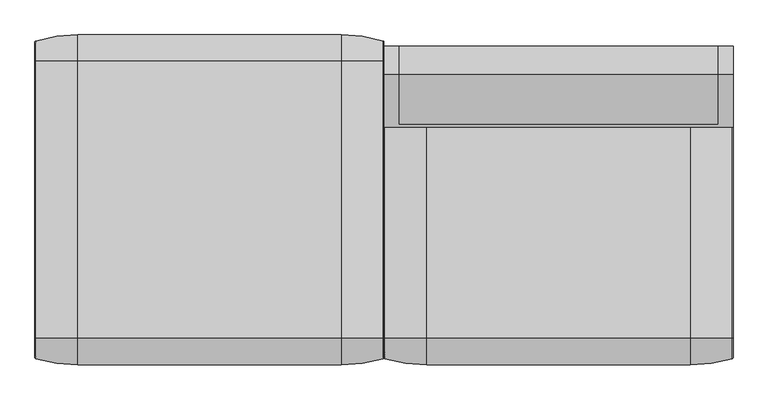
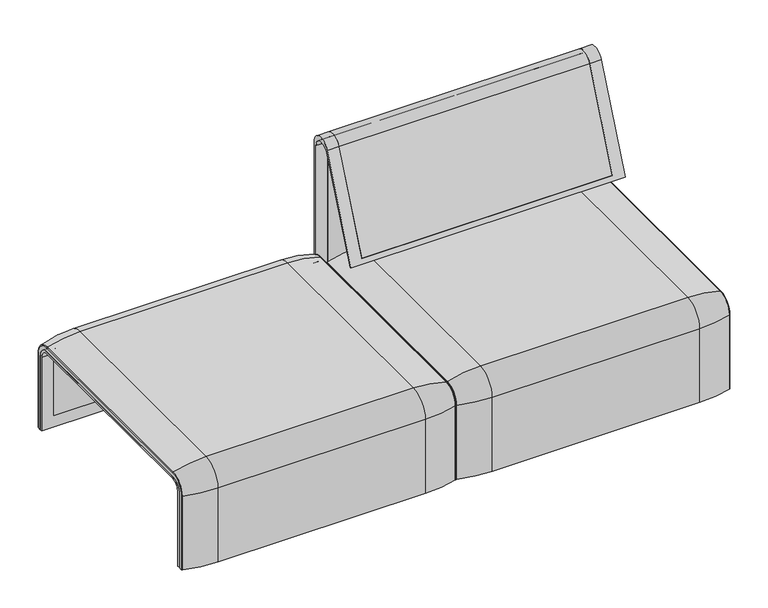
"""IFC4 building model written with IfcOpenShell, lengths in millimetres: furniture geometry."""

from ifc_helpers import new_model, si_unit, point, frame, frame_2d, origin, place, context, project, spatial, polyline, circle_curve, ellipse_curve, trimmed, segment, composite_curve, outline, extrude, source, transform, mapped, element, save
from ifc_brep_helpers import plane_surface, cylinder_surface, revolved_surface, advanced_brep


def furniture_0046e483(model_context):
    return source(origin(), model_context, "Body", "SolidModel", [
        advanced_brep(
        [(-815.997793, 323.7517936, 359.922434), (-815.997793, -323.7517936, 359.922434), (-815.997793, -351.0, 332.6742277), (-815.997793, -351.0, 100.5089435), (-815.997793, -357.5, 100.5089435), (-815.997793, -357.5, 333.0583003), (-815.997793, -324.3858663, 366.172434), (-815.997793, 324.3858663, 366.172434), (-815.997793, 357.5, 333.0583003), (-815.997793, 357.5, 100.5089435), (-815.997793, 351.0, 100.5089435), (-815.997793, 351.0, 332.6742277), (-0.0165441, 323.7517936, 359.922434), (-0.0165441, 351.0, 332.6742277), (-0.0165441, 351.0, 100.5089435), (-0.0165441, 357.5, 100.5089435), (-0.0165441, 357.5, 333.0583003), (-0.0165441, 324.3858663, 366.172434), (-0.0165441, -324.3858663, 366.172434), (-0.0165441, -357.5, 333.0583003), (-0.0165441, -357.5, 100.5089435), (-0.0165441, -351.0, 100.5089435), (-0.0165441, -351.0, 332.6742277), (-0.0165441, -323.7517936, 359.922434), (-781.097793, -324.3858663, 366.172434), (-781.097793, 324.3858663, 366.172434), (-34.9165441, 324.3858663, 366.172434), (-34.9165441, -324.3858663, 366.172434), (-781.097793, -357.5, 333.0583003), (-34.9165441, -357.5, 333.0583003), (-34.9165441, -357.5, 135.3766997), (-781.097793, -357.5, 135.3766997), (-781.097793, -351.0, 332.6742277), (-781.097793, -351.0, 135.3766997), (-34.9165441, -351.0, 135.3766997), (-34.9165441, -351.0, 332.6742277), (-781.097793, -323.7517936, 359.922434), (-34.9165441, -323.7517936, 359.922434), (-781.097793, 323.7517936, 359.922434), (-34.9165441, 323.7517936, 359.922434), (-781.097793, 357.5, 333.0583003), (-34.9165441, 357.5, 333.0583003), (-781.097793, 357.5, 135.3766997), (-34.9165441, 357.5, 135.3766997), (-34.9165441, 351.0, 332.6742277), (-34.9165441, 351.0, 135.3766997), (-781.097793, 351.0, 135.3766997), (-781.097793, 351.0, 332.6742277)],
        [
            (0, 1),
            (1, 2, circle_curve(frame((-815.997793, -323.7517936, 332.6742277), z_axis=(1.0, 0.0, 0.0), x_axis=(0.0, -1.0, 0.0)), 27.2482064)),
            (2, 3),
            (3, 4),
            (4, 5),
            (5, 6, circle_curve(frame((-815.997793, -324.3858663, 333.0583003), z_axis=(-1.0, 0.0, 0.0), x_axis=(0.0, -1.0, 0.0)), 33.1141337)),
            (6, 7),
            (7, 8, circle_curve(frame((-815.997793, 324.3858663, 333.0583003), z_axis=(-1.0, 0.0, 0.0), x_axis=(0.0, 1.0, 0.0)), 33.1141337)),
            (8, 9),
            (9, 10),
            (10, 11),
            (11, 0, circle_curve(frame((-815.997793, 323.7517936, 332.6742277), z_axis=(1.0, 0.0, 0.0), x_axis=(0.0, 1.0, 0.0)), 27.2482064)),
            (12, 13, circle_curve(frame((-0.0165441, 323.7517936, 332.6742277), z_axis=(-1.0, 0.0, 0.0), x_axis=(0.0, 1.0, 0.0)), 27.2482064)),
            (13, 14),
            (14, 15),
            (15, 16),
            (16, 17, circle_curve(frame((-0.0165441, 324.3858663, 333.0583003), z_axis=(1.0, 0.0, 0.0), x_axis=(0.0, 1.0, 0.0)), 33.1141337)),
            (17, 18),
            (18, 19, circle_curve(frame((-0.0165441, -324.3858663, 333.0583003), z_axis=(1.0, 0.0, 0.0), x_axis=(0.0, -1.0, 0.0)), 33.1141337)),
            (19, 20),
            (20, 21),
            (21, 22),
            (22, 23, circle_curve(frame((-0.0165441, -323.7517936, 332.6742277), z_axis=(-1.0, 0.0, 0.0), x_axis=(0.0, -1.0, 0.0)), 27.2482064)),
            (23, 12),
            (6, 24),
            (24, 25),
            (25, 7),
            (17, 26),
            (26, 27),
            (27, 18),
            (5, 28),
            (28, 24, circle_curve(frame((-781.097793, -324.3858663, 333.0583003), z_axis=(-1.0, 0.0, 0.0), x_axis=(0.0, -1.0, 0.0)), 33.1141337)),
            (27, 29, circle_curve(frame((-34.9165441, -324.3858663, 333.0583003), z_axis=(1.0, 0.0, 0.0), x_axis=(0.0, -1.0, 0.0)), 33.1141337)),
            (29, 19),
            (4, 20),
            (29, 30),
            (30, 31),
            (31, 28),
            (3, 21),
            (2, 32),
            (32, 33),
            (33, 34),
            (34, 35),
            (35, 22),
            (1, 36),
            (36, 32, circle_curve(frame((-781.097793, -323.7517936, 332.6742277), z_axis=(1.0, 0.0, 0.0), x_axis=(0.0, -1.0, 0.0)), 27.2482064)),
            (35, 37, circle_curve(frame((-34.9165441, -323.7517936, 332.6742277), z_axis=(-1.0, 0.0, 0.0), x_axis=(0.0, -1.0, 0.0)), 27.2482064)),
            (37, 23),
            (0, 38),
            (38, 36),
            (37, 39),
            (39, 12),
            (25, 40, circle_curve(frame((-781.097793, 324.3858663, 333.0583003), z_axis=(-1.0, 0.0, 0.0), x_axis=(0.0, 1.0, 0.0)), 33.1141337)),
            (40, 8),
            (16, 41),
            (41, 26, circle_curve(frame((-34.9165441, 324.3858663, 333.0583003), z_axis=(1.0, 0.0, 0.0), x_axis=(0.0, 1.0, 0.0)), 33.1141337)),
            (40, 42),
            (42, 43),
            (43, 41),
            (15, 9),
            (14, 10),
            (13, 44),
            (44, 45),
            (45, 46),
            (46, 47),
            (47, 11),
            (47, 38, circle_curve(frame((-781.097793, 323.7517936, 332.6742277), z_axis=(1.0, 0.0, 0.0), x_axis=(0.0, 1.0, 0.0)), 27.2482064)),
            (39, 44, circle_curve(frame((-34.9165441, 323.7517936, 332.6742277), z_axis=(-1.0, 0.0, 0.0), x_axis=(0.0, 1.0, 0.0)), 27.2482064)),
            (46, 42),
            (31, 33),
            (34, 30),
            (43, 45),
        ],
        [
            plane_surface(frame((-815.997793, -296.9265415, 359.922434), z_axis=(-1.0, 0.0, 0.0), x_axis=(0.0, -1.0, 0.0))),
            plane_surface(frame((-0.0165441, -296.9265415, 359.922434), z_axis=(1.0, 0.0, 0.0), x_axis=(0.0, 1.0, 0.0))),
            plane_surface(frame((-815.997793, -324.3858663, 366.172434), z_axis=(0.0, 0.0, 1.0), x_axis=(1.0, 0.0, 0.0))),
            cylinder_surface(frame((-0.0165441, -324.3858663, 333.0583003), z_axis=(-1.0, 0.0, 0.0), x_axis=(0.0, -1.0, 0.0)), 33.1141337),
            plane_surface(frame((-815.997793, -357.5, 100.5089435), z_axis=(0.0, -1.0, 0.0), x_axis=(1.0, 0.0, 0.0))),
            plane_surface(frame((-815.997793, -351.0, 100.5089435), z_axis=(0.0, 0.0, -1.0), x_axis=(1.0, 0.0, 0.0))),
            plane_surface(frame((-815.997793, -351.0, 332.6742277), z_axis=(0.0, 1.0, 0.0), x_axis=(1.0, 0.0, 0.0))),
            revolved_surface(polyline([(-781.097793, -351.0, 332.6742277), (-815.997793, -351.0, 332.6742277)]), (-0.0165441, -323.7517936, 332.6742277), (1.0, 0.0, 0.0)),
            revolved_surface(polyline([(-0.0165441, -351.0, 332.6742277), (-34.9165441, -351.0, 332.6742277)]), (-0.0165441, -323.7517936, 332.6742277), (1.0, 0.0, 0.0)),
            plane_surface(frame((-815.997793, 323.7517936, 359.922434), z_axis=(0.0, 0.0, -1.0), x_axis=(1.0, 0.0, 0.0))),
            cylinder_surface(frame((-0.0165441, 324.3858663, 333.0583003), z_axis=(-1.0, 0.0, 0.0), x_axis=(0.0, 1.0, 0.0)), 33.1141337),
            plane_surface(frame((-815.997793, 357.5, 333.0583003), z_axis=(0.0, 1.0, 0.0), x_axis=(1.0, 0.0, 0.0))),
            plane_surface(frame((-815.997793, 357.5, 100.5089435), z_axis=(0.0, 0.0, -1.0), x_axis=(1.0, 0.0, 0.0))),
            plane_surface(frame((-815.997793, 351.0, 100.5089435), z_axis=(0.0, -1.0, 0.0), x_axis=(1.0, 0.0, 0.0))),
            revolved_surface(polyline([(-781.097793, 351.0, 332.6742277), (-815.997793, 351.0, 332.6742277)]), (-0.0165441, 323.7517936, 332.6742277), (1.0, 0.0, 0.0)),
            revolved_surface(polyline([(-0.0165441, 351.0, 332.6742277), (-34.9165441, 351.0, 332.6742277)]), (-0.0165441, 323.7517936, 332.6742277), (1.0, 0.0, 0.0)),
            plane_surface(frame((-781.097793, -296.9265415, 359.922434), z_axis=(1.0, 0.0, 0.0), x_axis=(0.0, -1.0, 0.0))),
            plane_surface(frame((-34.9165441, -296.9265415, 359.922434), z_axis=(-1.0, 0.0, 0.0), x_axis=(0.0, 1.0, 0.0))),
            plane_surface(frame((-781.097793, -351.0, 135.3766997), z_axis=(0.0, 0.0, 1.0), x_axis=(1.0, 0.0, 0.0))),
            plane_surface(frame((-781.097793, 357.5, 135.3766997), z_axis=(0.0, 0.0, 1.0), x_axis=(1.0, 0.0, 0.0))),
        ],
        [
            (0, [[1, 2, 3, 4, 5, 6, 7, 8, 9, 10, 11, 12]]),
            (1, [[13, 14, 15, 16, 17, 18, 19, 20, 21, 22, 23, 24]]),
            (2, [[-7, 25, 26, 27]]),
            (2, [[-18, 28, 29, 30]]),
            (3, [[-6, 31, 32, -25]]),
            (3, [[-19, -30, 33, 34]]),
            (4, [[-5, 35, -20, -34, 36, 37, 38, -31]]),
            (5, [[-4, 39, -21, -35]]),
            (6, [[-3, 40, 41, 42, 43, 44, -22, -39]]),
            (7, [[-2, 45, 46, -40]]),
            (8, [[-23, -44, 47, 48]]),
            (9, [[-1, 49, 50, -45]]),
            (9, [[-24, -48, 51, 52]]),
            (10, [[-8, -27, 53, 54]]),
            (10, [[-17, 55, 56, -28]]),
            (11, [[-9, -54, 57, 58, 59, -55, -16, 60]]),
            (12, [[-10, -60, -15, 61]]),
            (13, [[-11, -61, -14, 62, 63, 64, 65, 66]]),
            (14, [[-12, -66, 67, -49]]),
            (15, [[-13, -52, 68, -62]]),
            (16, [[69, -57, -53, -26, -32, -38, 70, -41, -46, -50, -67, -65]]),
            (17, [[71, -36, -33, -29, -56, -59, 72, -63, -68, -51, -47, -43]]),
            (18, [[-70, -37, -71, -42]]),
            (19, [[-69, -64, -72, -58]]),
        ],
    ),
        extrude(outline(composite_curve([segment(polyline([(323.7517936, 359.922434), (-323.7517936, 359.922434)]), True, "CONTINUOUS"), segment(trimmed(circle_curve(frame_2d((-323.7517936, 332.6742277)), 27.2482064), [point((-323.7517936, 359.922434))], [point((-351.0, 332.6742277))], True, "CARTESIAN"), True, "CONTINUOUS"), segment(polyline([(-351.0, 332.6742277), (-351.0, 135.3766997), (-357.5, 135.3766997), (-357.5, 333.0583003)]), True, "CONTINUOUS"), segment(trimmed(circle_curve(frame_2d((-324.3858663, 333.0583003)), 33.1141337), [point((-357.5, 333.0583003))], [point((-324.3858663, 366.172434))], False, "CARTESIAN"), True, "CONTINUOUS"), segment(polyline([(-324.3858663, 366.172434), (324.3858663, 366.172434)]), True, "CONTINUOUS"), segment(trimmed(circle_curve(frame_2d((324.3858663, 333.0583003)), 33.1141337), [point((324.3858663, 366.172434))], [point((357.5, 333.0583003))], False, "CARTESIAN"), True, "CONTINUOUS"), segment(polyline([(357.5, 333.0583003), (357.5, 135.3766997), (351.0, 135.3766997), (351.0, 332.6742277)]), True, "CONTINUOUS"), segment(trimmed(circle_curve(frame_2d((323.7517936, 332.6742277)), 27.2482064), [point((351.0, 332.6742277))], [point((323.7517936, 359.922434))], True, "CARTESIAN"), True, "CONTINUOUS")], self_intersect=False)), frame((-781.097793, 0.0, 0.0), z_axis=(1.0, 0.0, 0.0), x_axis=(0.0, 1.0, 0.0)), (0.0, 0.0, 1.0), 746.1812488),
        advanced_brep(
        [(-815.997793, -368.7793679, 100.5089435), (-815.997793, -357.5, 100.5089435), (-0.0165441, -357.5, 100.5089435), (-0.0165441, -368.7793679, 100.5089435), (-2.1551726, -371.6530483, 100.5089435), (-100.0165441, -386.0043559, 100.5089435), (-715.997793, -386.0043559, 100.5089435), (-813.8591645, -371.6530483, 100.5089435), (-815.997793, 368.7793679, 100.5089435), (-813.8591645, 371.6530483, 100.5089435), (-715.997793, 386.0043559, 100.5089435), (-100.0165441, 386.0043559, 100.5089435), (-2.1551726, 371.6530483, 100.5089435), (-0.0165441, 368.7793679, 100.5089435), (-0.0165441, 357.5, 100.5089435), (-815.997793, 357.5, 100.5089435), (-815.997793, -368.7793679, 333.0583003), (-815.997793, -324.3858663, 377.4518019), (-815.997793, 324.3858663, 377.4518019), (-815.997793, 368.7793679, 333.0583003), (-815.997793, 357.5, 333.0583003), (-815.997793, 324.3858663, 366.172434), (-815.997793, -324.3858663, 366.172434), (-815.997793, -357.5, 333.0583003), (-0.0165441, -357.5, 333.0583003), (-100.0165441, -386.0043559, 333.0583003), (-715.997793, -386.0043559, 333.0583003), (-813.8591645, -371.6530483, 333.0583003), (-0.0165441, -324.3858663, 366.172434), (-715.997793, -324.3858663, 394.67679), (-100.0165441, -324.3858663, 394.67679), (-813.8591645, -324.3858663, 380.3254823), (-0.0165441, 324.3858663, 366.172434), (-100.0165441, 324.3858663, 394.67679), (-715.997793, 324.3858663, 394.67679), (-813.8591645, 324.3858663, 380.3254823), (-0.0165441, 357.5, 333.0583003), (-715.997793, 386.0043559, 333.0583003), (-100.0165441, 386.0043559, 333.0583003), (-813.8591645, 371.6530483, 333.0583003), (-0.0165441, 368.7793679, 333.0583003), (-0.0165441, 324.3858663, 377.4518019), (-0.0165441, -324.3858663, 377.4518019), (-0.0165441, -368.7793679, 333.0583003), (-2.1551726, -371.6530483, 333.0583003), (-2.1551726, -324.3858663, 380.3254823), (-2.1551726, 324.3858663, 380.3254823), (-2.1551726, 371.6530483, 333.0583003)],
        [
            (0, 1),
            (1, 2),
            (2, 3),
            (3, 4, circle_curve(frame((-3.0165441, -368.7793679, 100.5089435), z_axis=(0.0, 0.0, -1.0), x_axis=(-1.0, 0.0, 0.0)), 3.0)),
            (4, 5, circle_curve(frame((-100.0165441, -45.1710226, 100.5089435), z_axis=(0.0, 0.0, -1.0), x_axis=(0.0, 1.0, 0.0)), 340.8333333)),
            (5, 6),
            (6, 7, circle_curve(frame((-715.997793, -45.1710226, 100.5089435), z_axis=(0.0, 0.0, -1.0), x_axis=(0.0, 1.0, 0.0)), 340.8333333)),
            (7, 0, circle_curve(frame((-812.997793, -368.7793679, 100.5089435), z_axis=(0.0, 0.0, -1.0), x_axis=(1.0, 0.0, 0.0)), 3.0)),
            (8, 9, circle_curve(frame((-812.997793, 368.7793679, 100.5089435), z_axis=(0.0, 0.0, -1.0), x_axis=(1.0, 0.0, 0.0)), 3.0)),
            (9, 10, circle_curve(frame((-715.997793, 45.1710226, 100.5089435), z_axis=(0.0, 0.0, -1.0), x_axis=(0.0, -1.0, 0.0)), 340.8333333)),
            (10, 11),
            (11, 12, circle_curve(frame((-100.0165441, 45.1710226, 100.5089435), z_axis=(0.0, 0.0, -1.0), x_axis=(0.0, -1.0, 0.0)), 340.8333333)),
            (12, 13, circle_curve(frame((-3.0165441, 368.7793679, 100.5089435), z_axis=(0.0, 0.0, -1.0), x_axis=(-1.0, 0.0, 0.0)), 3.0)),
            (13, 14),
            (14, 15),
            (15, 8),
            (0, 16),
            (16, 17, circle_curve(frame((-815.997793, -324.3858663, 333.0583003), z_axis=(-1.0, 0.0, 0.0), x_axis=(0.0, -1.0, 0.0)), 44.3935016)),
            (17, 18),
            (18, 19, circle_curve(frame((-815.997793, 324.3858663, 333.0583003), z_axis=(-1.0, 0.0, 0.0), x_axis=(0.0, 0.0, 1.0)), 44.3935016)),
            (19, 8),
            (15, 20),
            (20, 21, circle_curve(frame((-815.997793, 324.3858663, 333.0583003), z_axis=(1.0, 0.0, 0.0), x_axis=(0.0, 0.0, 1.0)), 33.1141337)),
            (21, 22),
            (22, 23, circle_curve(frame((-815.997793, -324.3858663, 333.0583003), z_axis=(1.0, 0.0, 0.0), x_axis=(0.0, -1.0, 0.0)), 33.1141337)),
            (23, 1),
            (23, 24),
            (24, 2),
            (5, 25),
            (25, 26),
            (26, 6),
            (26, 27, circle_curve(frame((-715.997793, -45.1710226, 333.0583003), z_axis=(0.0, 0.0, -1.0), x_axis=(0.0, 1.0, 0.0)), 340.8333333)),
            (27, 7),
            (27, 16, circle_curve(frame((-812.997793, -368.7793679, 333.0583003), z_axis=(0.0, 0.0, -1.0), x_axis=(1.0, 0.0, 0.0)), 3.0)),
            (28, 24, circle_curve(frame((-0.0165441, -324.3858663, 333.0583003), z_axis=(1.0, 0.0, 0.0), x_axis=(0.0, -1.0, 0.0)), 33.1141337)),
            (22, 28),
            (29, 26, circle_curve(frame((-715.997793, -324.3858663, 333.0583003), z_axis=(1.0, 0.0, 0.0), x_axis=(0.0, -1.0, 0.0)), 61.6184897)),
            (25, 30, circle_curve(frame((-100.0165441, -324.3858663, 333.0583003), z_axis=(-1.0, 0.0, 0.0), x_axis=(0.0, -1.0, 0.0)), 61.6184897)),
            (30, 29),
            (31, 27, circle_curve(frame((-813.8591645, -324.3858663, 333.0583003), z_axis=(1.0, 0.0, 0.0), x_axis=(0.0, -1.0, 0.0)), 47.267182)),
            (29, 31, circle_curve(frame((-715.997793, -324.3858663, 53.8434566), z_axis=(0.0, -1.0, 0.0), x_axis=(0.0, 0.0, -1.0)), 340.8333333)),
            (31, 17, circle_curve(frame((-812.997793, -324.3858663, 377.4518019), z_axis=(0.0, -1.0, 0.0), x_axis=(1.0, 0.0, 0.0)), 3.0)),
            (21, 32),
            (32, 28),
            (30, 33),
            (33, 34),
            (34, 29),
            (34, 35, circle_curve(frame((-715.997793, 324.3858663, 53.8434566), z_axis=(0.0, -1.0, 0.0), x_axis=(0.0, 0.0, -1.0)), 340.8333333)),
            (35, 31),
            (35, 18, circle_curve(frame((-812.997793, 324.3858663, 377.4518019), z_axis=(0.0, -1.0, 0.0), x_axis=(1.0, 0.0, 0.0)), 3.0)),
            (36, 32, circle_curve(frame((-0.0165441, 324.3858663, 333.0583003), z_axis=(1.0, 0.0, 0.0), x_axis=(0.0, 0.0, 1.0)), 33.1141337)),
            (20, 36),
            (37, 34, circle_curve(frame((-715.997793, 324.3858663, 333.0583003), z_axis=(1.0, 0.0, 0.0), x_axis=(0.0, 0.0, 1.0)), 61.6184897)),
            (33, 38, circle_curve(frame((-100.0165441, 324.3858663, 333.0583003), z_axis=(-1.0, 0.0, 0.0), x_axis=(0.0, 0.0, 1.0)), 61.6184897)),
            (38, 37),
            (39, 35, circle_curve(frame((-813.8591645, 324.3858663, 333.0583003), z_axis=(1.0, 0.0, 0.0), x_axis=(0.0, 0.0, 1.0)), 47.267182)),
            (37, 39, circle_curve(frame((-715.997793, 45.1710226, 333.0583003), z_axis=(0.0, 0.0, 1.0), x_axis=(0.0, -1.0, 0.0)), 340.8333333)),
            (39, 19, circle_curve(frame((-812.997793, 368.7793679, 333.0583003), z_axis=(0.0, 0.0, 1.0), x_axis=(1.0, 0.0, 0.0)), 3.0)),
            (14, 36),
            (38, 11),
            (10, 37),
            (9, 39),
            (13, 40),
            (40, 41, circle_curve(frame((-0.0165441, 324.3858663, 333.0583003), z_axis=(1.0, 0.0, 0.0), x_axis=(0.0, 0.0, 1.0)), 44.3935016)),
            (41, 42),
            (42, 43, circle_curve(frame((-0.0165441, -324.3858663, 333.0583003), z_axis=(1.0, 0.0, 0.0), x_axis=(0.0, -1.0, 0.0)), 44.3935016)),
            (43, 3),
            (43, 44, circle_curve(frame((-3.0165441, -368.7793679, 333.0583003), z_axis=(0.0, 0.0, -1.0), x_axis=(-1.0, 0.0, 0.0)), 3.0)),
            (44, 4),
            (44, 25, circle_curve(frame((-100.0165441, -45.1710226, 333.0583003), z_axis=(0.0, 0.0, -1.0), x_axis=(0.0, 1.0, 0.0)), 340.8333333)),
            (45, 44, circle_curve(frame((-2.1551726, -324.3858663, 333.0583003), z_axis=(1.0, 0.0, 0.0), x_axis=(0.0, -1.0, 0.0)), 47.267182)),
            (42, 45, circle_curve(frame((-3.0165441, -324.3858663, 377.4518019), z_axis=(0.0, -1.0, 0.0), x_axis=(-1.0, 0.0, 0.0)), 3.0)),
            (45, 30, circle_curve(frame((-100.0165441, -324.3858663, 53.8434566), z_axis=(0.0, -1.0, 0.0), x_axis=(0.0, 0.0, -1.0)), 340.8333333)),
            (41, 46, circle_curve(frame((-3.0165441, 324.3858663, 377.4518019), z_axis=(0.0, -1.0, 0.0), x_axis=(-1.0, 0.0, 0.0)), 3.0)),
            (46, 45),
            (46, 33, circle_curve(frame((-100.0165441, 324.3858663, 53.8434566), z_axis=(0.0, -1.0, 0.0), x_axis=(0.0, 0.0, -1.0)), 340.8333333)),
            (47, 46, circle_curve(frame((-2.1551726, 324.3858663, 333.0583003), z_axis=(1.0, 0.0, 0.0), x_axis=(0.0, 0.0, 1.0)), 47.267182)),
            (40, 47, circle_curve(frame((-3.0165441, 368.7793679, 333.0583003), z_axis=(0.0, 0.0, 1.0), x_axis=(-1.0, 0.0, 0.0)), 3.0)),
            (47, 38, circle_curve(frame((-100.0165441, 45.1710226, 333.0583003), z_axis=(0.0, 0.0, 1.0), x_axis=(0.0, -1.0, 0.0)), 340.8333333)),
            (12, 47),
        ],
        [
            plane_surface(frame((-815.997793, -357.5, 100.5089435), z_axis=(0.0, 0.0, -1.0), x_axis=(1.0, 0.0, 0.0))),
            plane_surface(frame((-815.997793, 357.5, 100.5089435), z_axis=(0.0, 0.0, -1.0), x_axis=(1.0, 0.0, 0.0))),
            plane_surface(frame((-815.997793, -368.7793679, 100.5089435), z_axis=(-1.0, 0.0, 0.0), x_axis=(0.0, 0.0, 1.0))),
            plane_surface(frame((-815.997793, -357.5, 100.5089435), z_axis=(0.0, 1.0, 0.0), x_axis=(0.0, 0.0, 1.0))),
            plane_surface(frame((-100.0165441, -386.0043559, 100.5089435), z_axis=(0.0, -1.0, 0.0), x_axis=(0.0, 0.0, 1.0))),
            cylinder_surface(frame((-715.997793, -45.1710226, 100.5089435), z_axis=(0.0, 0.0, -1.0), x_axis=(0.0, 1.0, 0.0)), 340.8333333),
            cylinder_surface(frame((-812.997793, -368.7793679, 100.5089435), z_axis=(0.0, 0.0, -1.0), x_axis=(1.0, 0.0, 0.0)), 3.0),
            revolved_surface(polyline([(-815.997793, -357.5, 333.0583003), (-0.016544100000032813, -357.5, 333.0583003)]), (-815.997793, -324.3858663, 333.0583003), (-1.0, 0.0, 0.0)),
            cylinder_surface(frame((-815.997793, -324.3858663, 333.0583003), z_axis=(-1.0, 0.0, 0.0), x_axis=(0.0, -1.0, 0.0)), 61.6184897),
            revolved_surface(trimmed(ellipse_curve(frame((-715.997793, -45.1710226, 333.0583003), z_axis=(0.0, 0.0, -1.0), x_axis=(0.0, 1.0, 0.0)), 340.8333333, 340.8333333), [point((-715.997793, -386.0043559, 333.0583003))], [point((-813.8591645, -371.6530483, 333.0583003))], True, "CARTESIAN"), (-815.997793, -324.3858663, 333.0583003), (-1.0, 0.0, 0.0)),
            revolved_surface(trimmed(ellipse_curve(frame((-812.997793, -368.7793679, 333.0583003), z_axis=(0.0, 0.0, -1.0), x_axis=(1.0, 0.0, 0.0)), 3.0, 3.0), [point((-813.8591645, -371.6530483, 333.0583003))], [point((-815.997793, -368.7793679, 333.0583003))], True, "CARTESIAN"), (-815.997793, -324.3858663, 333.0583003), (-1.0, 0.0, 0.0)),
            plane_surface(frame((-815.997793, -324.3858663, 366.172434), z_axis=(0.0, 0.0, -1.0), x_axis=(0.0, 1.0, 0.0))),
            plane_surface(frame((-100.0165441, -324.3858663, 394.67679), z_axis=(0.0, 0.0, 1.0), x_axis=(0.0, 1.0, 0.0))),
            cylinder_surface(frame((-715.997793, -324.3858663, 53.8434566), z_axis=(0.0, -1.0, 0.0), x_axis=(0.0, 0.0, -1.0)), 340.8333333),
            cylinder_surface(frame((-812.997793, -324.3858663, 377.4518019), z_axis=(0.0, -1.0, 0.0), x_axis=(1.0, 0.0, 0.0)), 3.0),
            revolved_surface(polyline([(-815.997793, 324.3858663, 366.17243399999995), (-0.016544100000032813, 324.3858663, 366.17243399999995)]), (-815.997793, 324.3858663, 333.0583003), (-1.0, 0.0, 0.0)),
            cylinder_surface(frame((-815.997793, 324.3858663, 333.0583003), z_axis=(-1.0, 0.0, 0.0), x_axis=(0.0, 0.0, 1.0)), 61.6184897),
            revolved_surface(trimmed(ellipse_curve(frame((-715.997793, 324.3858663, 53.8434566), z_axis=(0.0, -1.0, 0.0), x_axis=(0.0, 0.0, -1.0)), 340.8333333, 340.8333333), [point((-715.997793, 324.3858663, 394.67679))], [point((-813.8591645, 324.3858663, 380.3254823))], True, "CARTESIAN"), (-815.997793, 324.3858663, 333.0583003), (-1.0, 0.0, 0.0)),
            revolved_surface(trimmed(ellipse_curve(frame((-812.997793, 324.3858663, 377.4518019), z_axis=(0.0, -1.0, 0.0), x_axis=(1.0, 0.0, 0.0)), 3.0, 3.0), [point((-813.8591645, 324.3858663, 380.3254823))], [point((-815.997793, 324.3858663, 377.4518019))], True, "CARTESIAN"), (-815.997793, 324.3858663, 333.0583003), (-1.0, 0.0, 0.0)),
            plane_surface(frame((-815.997793, 357.5, 333.0583003), z_axis=(0.0, -1.0, 0.0), x_axis=(0.0, 0.0, -1.0))),
            plane_surface(frame((-100.0165441, 386.0043559, 333.0583003), z_axis=(0.0, 1.0, 0.0), x_axis=(0.0, 0.0, -1.0))),
            cylinder_surface(frame((-715.997793, 45.1710226, 333.0583003), z_axis=(0.0, 0.0, 1.0), x_axis=(0.0, -1.0, 0.0)), 340.8333333),
            cylinder_surface(frame((-812.997793, 368.7793679, 333.0583003), z_axis=(0.0, 0.0, 1.0), x_axis=(1.0, 0.0, 0.0)), 3.0),
            plane_surface(frame((-0.0165441, -357.5, 100.5089435), z_axis=(1.0, 0.0, 0.0), x_axis=(0.0, 0.0, 1.0))),
            cylinder_surface(frame((-3.0165441, -368.7793679, 100.5089435), z_axis=(0.0, 0.0, -1.0), x_axis=(-1.0, 0.0, 0.0)), 3.0),
            cylinder_surface(frame((-100.0165441, -45.1710226, 100.5089435), z_axis=(0.0, 0.0, -1.0), x_axis=(0.0, 1.0, 0.0)), 340.8333333),
            revolved_surface(trimmed(ellipse_curve(frame((-3.0165441, -368.7793679, 333.0583003), z_axis=(0.0, 0.0, -1.0), x_axis=(-1.0, 0.0, 0.0)), 3.0, 3.0), [point((-0.0165441, -368.7793679, 333.0583003))], [point((-2.1551726, -371.6530483, 333.0583003))], True, "CARTESIAN"), (-815.997793, -324.3858663, 333.0583003), (-1.0, 0.0, 0.0)),
            revolved_surface(trimmed(ellipse_curve(frame((-100.0165441, -45.1710226, 333.0583003), z_axis=(0.0, 0.0, -1.0), x_axis=(0.0, 1.0, 0.0)), 340.8333333, 340.8333333), [point((-2.1551726, -371.6530483, 333.0583003))], [point((-100.0165441, -386.0043559, 333.0583003))], True, "CARTESIAN"), (-815.997793, -324.3858663, 333.0583003), (-1.0, 0.0, 0.0)),
            cylinder_surface(frame((-3.0165441, -324.3858663, 377.4518019), z_axis=(0.0, -1.0, 0.0), x_axis=(-1.0, 0.0, 0.0)), 3.0),
            cylinder_surface(frame((-100.0165441, -324.3858663, 53.8434566), z_axis=(0.0, -1.0, 0.0), x_axis=(0.0, 0.0, -1.0)), 340.8333333),
            revolved_surface(trimmed(ellipse_curve(frame((-3.0165441, 324.3858663, 377.4518019), z_axis=(0.0, -1.0, 0.0), x_axis=(-1.0, 0.0, 0.0)), 3.0, 3.0), [point((-0.0165441, 324.3858663, 377.4518019))], [point((-2.1551726, 324.3858663, 380.3254823))], True, "CARTESIAN"), (-815.997793, 324.3858663, 333.0583003), (-1.0, 0.0, 0.0)),
            revolved_surface(trimmed(ellipse_curve(frame((-100.0165441, 324.3858663, 53.8434566), z_axis=(0.0, -1.0, 0.0), x_axis=(0.0, 0.0, -1.0)), 340.8333333, 340.8333333), [point((-2.1551726, 324.3858663, 380.3254823))], [point((-100.0165441, 324.3858663, 394.67679))], True, "CARTESIAN"), (-815.997793, 324.3858663, 333.0583003), (-1.0, 0.0, 0.0)),
            cylinder_surface(frame((-3.0165441, 368.7793679, 333.0583003), z_axis=(0.0, 0.0, 1.0), x_axis=(-1.0, 0.0, 0.0)), 3.0),
            cylinder_surface(frame((-100.0165441, 45.1710226, 333.0583003), z_axis=(0.0, 0.0, 1.0), x_axis=(0.0, -1.0, 0.0)), 340.8333333),
        ],
        [
            (0, [[1, 2, 3, 4, 5, 6, 7, 8]]),
            (1, [[9, 10, 11, 12, 13, 14, 15, 16]]),
            (2, [[-1, 17, 18, 19, 20, 21, -16, 22, 23, 24, 25, 26]]),
            (3, [[-2, -26, 27, 28]]),
            (4, [[-6, 29, 30, 31]]),
            (5, [[-7, -31, 32, 33]]),
            (6, [[-8, -33, 34, -17]]),
            (7, [[35, -27, -25, 36]]),
            (8, [[37, -30, 38, 39]]),
            (9, [[40, -32, -37, 41]]),
            (10, [[-18, -34, -40, 42]]),
            (11, [[-36, -24, 43, 44]]),
            (12, [[-39, 45, 46, 47]]),
            (13, [[-41, -47, 48, 49]]),
            (14, [[-42, -49, 50, -19]]),
            (15, [[51, -43, -23, 52]]),
            (16, [[53, -46, 54, 55]]),
            (17, [[56, -48, -53, 57]]),
            (18, [[-20, -50, -56, 58]]),
            (19, [[-52, -22, -15, 59]]),
            (20, [[-55, 60, -11, 61]]),
            (21, [[-57, -61, -10, 62]]),
            (22, [[-58, -62, -9, -21]]),
            (23, [[-3, -28, -35, -44, -51, -59, -14, 63, 64, 65, 66, 67]]),
            (24, [[-4, -67, 68, 69]]),
            (25, [[-5, -69, 70, -29]]),
            (26, [[71, -68, -66, 72]]),
            (27, [[-38, -70, -71, 73]]),
            (28, [[-72, -65, 74, 75]]),
            (29, [[-73, -75, 76, -45]]),
            (30, [[77, -74, -64, 78]]),
            (31, [[-54, -76, -77, 79]]),
            (32, [[-78, -63, -13, 80]]),
            (33, [[-79, -80, -12, -60]]),
        ],
    ),
        advanced_brep(
        [(0.0165441, 295.0, 359.922434), (0.0165441, -323.7517936, 359.922434), (0.0165441, -351.0, 332.6742277), (0.0165441, -351.0, 100.5089435), (0.0165441, -357.5, 100.5089435), (0.0165441, -357.5, 333.0583003), (0.0165441, -324.3858663, 366.172434), (0.0165441, 295.0, 366.172434), (815.997793, 295.0, 359.922434), (815.997793, 295.0, 366.172434), (815.997793, -324.3858663, 366.172434), (815.997793, -357.5, 333.0583003), (815.997793, -357.5, 100.5089435), (815.997793, -351.0, 100.5089435), (815.997793, -351.0, 332.6742277), (815.997793, -323.7517936, 359.922434), (34.9165441, -324.3858663, 366.172434), (34.9165441, 260.0, 366.172434), (781.097793, 260.0, 366.172434), (781.097793, -324.3858663, 366.172434), (34.9165441, -357.5, 333.0583003), (781.097793, -357.5, 333.0583003), (781.097793, -357.5, 135.3766997), (34.9165441, -357.5, 135.3766997), (34.9165441, -351.0, 332.6742277), (34.9165441, -351.0, 135.3766997), (781.097793, -351.0, 135.3766997), (781.097793, -351.0, 332.6742277), (34.9165441, -323.7517936, 359.922434), (781.097793, -323.7517936, 359.922434), (781.097793, 260.0, 359.922434), (34.9165441, 260.0, 359.922434)],
        [
            (0, 1),
            (1, 2, circle_curve(frame((0.0165441, -323.7517936, 332.6742277), z_axis=(1.0, 0.0, 0.0), x_axis=(0.0, -1.0, 0.0)), 27.2482064)),
            (2, 3),
            (3, 4),
            (4, 5),
            (5, 6, circle_curve(frame((0.0165441, -324.3858663, 333.0583003), z_axis=(-1.0, 0.0, 0.0), x_axis=(0.0, -1.0, 0.0)), 33.1141337)),
            (6, 7),
            (7, 0),
            (8, 9),
            (9, 10),
            (10, 11, circle_curve(frame((815.997793, -324.3858663, 333.0583003), z_axis=(1.0, 0.0, 0.0), x_axis=(0.0, -1.0, 0.0)), 33.1141337)),
            (11, 12),
            (12, 13),
            (13, 14),
            (14, 15, circle_curve(frame((815.997793, -323.7517936, 332.6742277), z_axis=(-1.0, 0.0, 0.0), x_axis=(0.0, -1.0, 0.0)), 27.2482064)),
            (15, 8),
            (7, 9),
            (8, 0),
            (6, 16),
            (16, 17),
            (17, 18),
            (18, 19),
            (19, 10),
            (5, 20),
            (20, 16, circle_curve(frame((34.9165441, -324.3858663, 333.0583003), z_axis=(-1.0, 0.0, 0.0), x_axis=(0.0, -1.0, 0.0)), 33.1141337)),
            (19, 21, circle_curve(frame((781.097793, -324.3858663, 333.0583003), z_axis=(1.0, 0.0, 0.0), x_axis=(0.0, -1.0, 0.0)), 33.1141337)),
            (21, 11),
            (4, 12),
            (21, 22),
            (22, 23),
            (23, 20),
            (3, 13),
            (2, 24),
            (24, 25),
            (25, 26),
            (26, 27),
            (27, 14),
            (1, 28),
            (28, 24, circle_curve(frame((34.9165441, -323.7517936, 332.6742277), z_axis=(1.0, 0.0, 0.0), x_axis=(0.0, -1.0, 0.0)), 27.2482064)),
            (27, 29, circle_curve(frame((781.097793, -323.7517936, 332.6742277), z_axis=(-1.0, 0.0, 0.0), x_axis=(0.0, -1.0, 0.0)), 27.2482064)),
            (29, 15),
            (29, 30),
            (30, 31),
            (31, 28),
            (31, 17),
            (23, 25),
            (26, 22),
            (18, 30),
        ],
        [
            plane_surface(frame((0.0165441, -296.9265415, 359.922434), z_axis=(-1.0, 0.0, 0.0), x_axis=(0.0, -1.0, 0.0))),
            plane_surface(frame((815.997793, -296.9265415, 359.922434), z_axis=(1.0, 0.0, 0.0), x_axis=(0.0, 1.0, 0.0))),
            plane_surface(frame((0.0165441, 295.0, 366.172434), z_axis=(0.0, 1.0, 0.0), x_axis=(1.0, 0.0, 0.0))),
            plane_surface(frame((0.0165441, -324.3858663, 366.172434), z_axis=(0.0, 0.0, 1.0), x_axis=(1.0, 0.0, 0.0))),
            cylinder_surface(frame((815.997793, -324.3858663, 333.0583003), z_axis=(-1.0, 0.0, 0.0), x_axis=(0.0, -1.0, 0.0)), 33.1141337),
            plane_surface(frame((0.0165441, -357.5, 100.5089435), z_axis=(0.0, -1.0, 0.0), x_axis=(1.0, 0.0, 0.0))),
            plane_surface(frame((0.0165441, -351.0, 100.5089435), z_axis=(0.0, 0.0, -1.0), x_axis=(1.0, 0.0, 0.0))),
            plane_surface(frame((0.0165441, -351.0, 332.6742277), z_axis=(0.0, 1.0, 0.0), x_axis=(1.0, 0.0, 0.0))),
            revolved_surface(polyline([(34.91654410000001, -351.0, 332.6742277), (0.016544100000032813, -351.0, 332.6742277)]), (815.997793, -323.7517936, 332.6742277), (1.0, 0.0, 0.0)),
            revolved_surface(polyline([(815.997793, -351.0, 332.6742277), (781.097793, -351.0, 332.6742277)]), (815.997793, -323.7517936, 332.6742277), (1.0, 0.0, 0.0)),
            plane_surface(frame((0.0165441, 295.0, 359.922434), z_axis=(0.0, 0.0, -1.0), x_axis=(1.0, 0.0, 0.0))),
            plane_surface(frame((34.9165441, -296.9265415, 359.922434), z_axis=(1.0, 0.0, 0.0), x_axis=(0.0, -1.0, 0.0))),
            plane_surface(frame((781.097793, -296.9265415, 359.922434), z_axis=(-1.0, 0.0, 0.0), x_axis=(0.0, 1.0, 0.0))),
            plane_surface(frame((34.9165441, 260.0, 366.172434), z_axis=(0.0, -1.0, 0.0), x_axis=(1.0, 0.0, 0.0))),
            plane_surface(frame((34.9165441, -351.0, 135.3766997), z_axis=(0.0, 0.0, 1.0), x_axis=(1.0, 0.0, 0.0))),
        ],
        [
            (0, [[1, 2, 3, 4, 5, 6, 7, 8]]),
            (1, [[9, 10, 11, 12, 13, 14, 15, 16]]),
            (2, [[-8, 17, -9, 18]]),
            (3, [[-7, 19, 20, 21, 22, 23, -10, -17]]),
            (4, [[-6, 24, 25, -19]]),
            (4, [[-11, -23, 26, 27]]),
            (5, [[-5, 28, -12, -27, 29, 30, 31, -24]]),
            (6, [[-4, 32, -13, -28]]),
            (7, [[-3, 33, 34, 35, 36, 37, -14, -32]]),
            (8, [[-2, 38, 39, -33]]),
            (9, [[-15, -37, 40, 41]]),
            (10, [[-1, -18, -16, -41, 42, 43, 44, -38]]),
            (11, [[45, -20, -25, -31, 46, -34, -39, -44]]),
            (12, [[47, -29, -26, -22, 48, -42, -40, -36]]),
            (13, [[-45, -43, -48, -21]]),
            (14, [[-46, -30, -47, -35]]),
        ],
    ),
        extrude(outline(composite_curve([segment(polyline([(260.0, 359.922434), (-323.7517936, 359.922434)]), True, "CONTINUOUS"), segment(trimmed(circle_curve(frame_2d((-323.7517936, 332.6742277)), 27.2482064), [point((-323.7517936, 359.922434))], [point((-351.0, 332.6742277))], True, "CARTESIAN"), True, "CONTINUOUS"), segment(polyline([(-351.0, 332.6742277), (-351.0, 135.3766997), (-357.5, 135.3766997), (-357.5, 333.0583003)]), True, "CONTINUOUS"), segment(trimmed(circle_curve(frame_2d((-324.3858663, 333.0583003)), 33.1141337), [point((-357.5, 333.0583003))], [point((-324.3858663, 366.172434))], False, "CARTESIAN"), True, "CONTINUOUS"), segment(polyline([(-324.3858663, 366.172434), (260.0, 366.172434), (260.0, 359.922434)]), True, "CONTINUOUS")], self_intersect=False)), frame((34.9165441, 0.0, 0.0), z_axis=(1.0, 0.0, 0.0), x_axis=(0.0, 1.0, 0.0)), (0.0, 0.0, 1.0), 746.1812488),
        advanced_brep(
        [(0.0165441, -368.7793679, 100.5089435), (0.0165441, -357.5, 100.5089435), (815.997793, -357.5, 100.5089435), (815.997793, -368.7793679, 100.5089435), (813.8591645, -371.6530483, 100.5089435), (715.997793, -386.0043559, 100.5089435), (100.0165441, -386.0043559, 100.5089435), (2.1551726, -371.6530483, 100.5089435), (0.0165441, 295.0, 377.4518019), (2.1551726, 295.0, 380.3254823), (100.0165441, 295.0, 394.67679), (715.997793, 295.0, 394.67679), (813.8591645, 295.0, 380.3254823), (815.997793, 295.0, 377.4518019), (815.997793, 295.0, 366.172434), (0.0165441, 295.0, 366.172434), (0.0165441, -368.7793679, 333.0583003), (0.0165441, -324.3858663, 377.4518019), (0.0165441, -324.3858663, 366.172434), (0.0165441, -357.5, 333.0583003), (815.997793, -357.5, 333.0583003), (715.997793, -386.0043559, 333.0583003), (100.0165441, -386.0043559, 333.0583003), (2.1551726, -371.6530483, 333.0583003), (815.997793, -324.3858663, 366.172434), (100.0165441, -324.3858663, 394.67679), (715.997793, -324.3858663, 394.67679), (2.1551726, -324.3858663, 380.3254823), (815.997793, -324.3858663, 377.4518019), (815.997793, -368.7793679, 333.0583003), (813.8591645, -371.6530483, 333.0583003), (813.8591645, -324.3858663, 380.3254823)],
        [
            (0, 1),
            (1, 2),
            (2, 3),
            (3, 4, circle_curve(frame((812.997793, -368.7793679, 100.5089435), z_axis=(0.0, 0.0, -1.0), x_axis=(-1.0, 0.0, 0.0)), 3.0)),
            (4, 5, circle_curve(frame((715.997793, -45.1710226, 100.5089435), z_axis=(0.0, 0.0, -1.0), x_axis=(0.0, 1.0, 0.0)), 340.8333333)),
            (5, 6),
            (6, 7, circle_curve(frame((100.0165441, -45.1710226, 100.5089435), z_axis=(0.0, 0.0, -1.0), x_axis=(0.0, 1.0, 0.0)), 340.8333333)),
            (7, 0, circle_curve(frame((3.0165441, -368.7793679, 100.5089435), z_axis=(0.0, 0.0, -1.0), x_axis=(1.0, 0.0, 0.0)), 3.0)),
            (8, 9, circle_curve(frame((3.0165441, 295.0, 377.4518019), z_axis=(0.0, 1.0, 0.0), x_axis=(1.0, 0.0, 0.0)), 3.0)),
            (9, 10, circle_curve(frame((100.0165441, 295.0, 53.8434566), z_axis=(0.0, 1.0, 0.0), x_axis=(0.0, 0.0, -1.0)), 340.8333333)),
            (10, 11),
            (11, 12, circle_curve(frame((715.997793, 295.0, 53.8434566), z_axis=(0.0, 1.0, 0.0), x_axis=(0.0, 0.0, -1.0)), 340.8333333)),
            (12, 13, circle_curve(frame((812.997793, 295.0, 377.4518019), z_axis=(0.0, 1.0, 0.0), x_axis=(-1.0, 0.0, 0.0)), 3.0)),
            (13, 14),
            (14, 15),
            (15, 8),
            (0, 16),
            (16, 17, circle_curve(frame((0.0165441, -324.3858663, 333.0583003), z_axis=(-1.0, 0.0, 0.0), x_axis=(0.0, -1.0, 0.0)), 44.3935016)),
            (17, 8),
            (15, 18),
            (18, 19, circle_curve(frame((0.0165441, -324.3858663, 333.0583003), z_axis=(1.0, 0.0, 0.0), x_axis=(0.0, -1.0, 0.0)), 33.1141337)),
            (19, 1),
            (19, 20),
            (20, 2),
            (5, 21),
            (21, 22),
            (22, 6),
            (22, 23, circle_curve(frame((100.0165441, -45.1710226, 333.0583003), z_axis=(0.0, 0.0, -1.0), x_axis=(0.0, 1.0, 0.0)), 340.8333333)),
            (23, 7),
            (23, 16, circle_curve(frame((3.0165441, -368.7793679, 333.0583003), z_axis=(0.0, 0.0, -1.0), x_axis=(1.0, 0.0, 0.0)), 3.0)),
            (24, 20, circle_curve(frame((815.997793, -324.3858663, 333.0583003), z_axis=(1.0, 0.0, 0.0), x_axis=(0.0, -1.0, 0.0)), 33.1141337)),
            (18, 24),
            (25, 22, circle_curve(frame((100.0165441, -324.3858663, 333.0583003), z_axis=(1.0, 0.0, 0.0), x_axis=(0.0, -1.0, 0.0)), 61.6184897)),
            (21, 26, circle_curve(frame((715.997793, -324.3858663, 333.0583003), z_axis=(-1.0, 0.0, 0.0), x_axis=(0.0, -1.0, 0.0)), 61.6184897)),
            (26, 25),
            (27, 23, circle_curve(frame((2.1551726, -324.3858663, 333.0583003), z_axis=(1.0, 0.0, 0.0), x_axis=(0.0, -1.0, 0.0)), 47.267182)),
            (25, 27, circle_curve(frame((100.0165441, -324.3858663, 53.8434566), z_axis=(0.0, -1.0, 0.0), x_axis=(0.0, 0.0, -1.0)), 340.8333333)),
            (27, 17, circle_curve(frame((3.0165441, -324.3858663, 377.4518019), z_axis=(0.0, -1.0, 0.0), x_axis=(1.0, 0.0, 0.0)), 3.0)),
            (14, 24),
            (26, 11),
            (10, 25),
            (9, 27),
            (13, 28),
            (28, 29, circle_curve(frame((815.997793, -324.3858663, 333.0583003), z_axis=(1.0, 0.0, 0.0), x_axis=(0.0, -1.0, 0.0)), 44.3935016)),
            (29, 3),
            (29, 30, circle_curve(frame((812.997793, -368.7793679, 333.0583003), z_axis=(0.0, 0.0, -1.0), x_axis=(-1.0, 0.0, 0.0)), 3.0)),
            (30, 4),
            (30, 21, circle_curve(frame((715.997793, -45.1710226, 333.0583003), z_axis=(0.0, 0.0, -1.0), x_axis=(0.0, 1.0, 0.0)), 340.8333333)),
            (31, 30, circle_curve(frame((813.8591645, -324.3858663, 333.0583003), z_axis=(1.0, 0.0, 0.0), x_axis=(0.0, -1.0, 0.0)), 47.267182)),
            (28, 31, circle_curve(frame((812.997793, -324.3858663, 377.4518019), z_axis=(0.0, -1.0, 0.0), x_axis=(-1.0, 0.0, 0.0)), 3.0)),
            (31, 26, circle_curve(frame((715.997793, -324.3858663, 53.8434566), z_axis=(0.0, -1.0, 0.0), x_axis=(0.0, 0.0, -1.0)), 340.8333333)),
            (12, 31),
        ],
        [
            plane_surface(frame((0.0165441, -357.5, 100.5089435), z_axis=(0.0, 0.0, -1.0), x_axis=(1.0, 0.0, 0.0))),
            plane_surface(frame((0.0165441, 295.0, 366.172434), z_axis=(0.0, 1.0, 0.0), x_axis=(1.0, 0.0, 0.0))),
            plane_surface(frame((0.0165441, -368.7793679, 100.5089435), z_axis=(-1.0, 0.0, 0.0), x_axis=(0.0, 0.0, 1.0))),
            plane_surface(frame((0.0165441, -357.5, 100.5089435), z_axis=(0.0, 1.0, 0.0), x_axis=(0.0, 0.0, 1.0))),
            plane_surface(frame((715.997793, -386.0043559, 100.5089435), z_axis=(0.0, -1.0, 0.0), x_axis=(0.0, 0.0, 1.0))),
            cylinder_surface(frame((100.0165441, -45.1710226, 100.5089435), z_axis=(0.0, 0.0, -1.0), x_axis=(0.0, 1.0, 0.0)), 340.8333333),
            cylinder_surface(frame((3.0165441, -368.7793679, 100.5089435), z_axis=(0.0, 0.0, -1.0), x_axis=(1.0, 0.0, 0.0)), 3.0),
            revolved_surface(polyline([(0.0165441, -357.5, 333.0583003), (815.997793, -357.5, 333.0583003)]), (0.0165441, -324.3858663, 333.0583003), (-1.0, 0.0, 0.0)),
            cylinder_surface(frame((0.0165441, -324.3858663, 333.0583003), z_axis=(-1.0, 0.0, 0.0), x_axis=(0.0, -1.0, 0.0)), 61.6184897),
            revolved_surface(trimmed(ellipse_curve(frame((100.0165441, -45.1710226, 333.0583003), z_axis=(0.0, 0.0, -1.0), x_axis=(0.0, 1.0, 0.0)), 340.8333333, 340.8333333), [point((100.0165441, -386.0043559, 333.0583003))], [point((2.1551726, -371.6530483, 333.0583003))], True, "CARTESIAN"), (0.0165441, -324.3858663, 333.0583003), (-1.0, 0.0, 0.0)),
            revolved_surface(trimmed(ellipse_curve(frame((3.0165441, -368.7793679, 333.0583003), z_axis=(0.0, 0.0, -1.0), x_axis=(1.0, 0.0, 0.0)), 3.0, 3.0), [point((2.1551726, -371.6530483, 333.0583003))], [point((0.0165441, -368.7793679, 333.0583003))], True, "CARTESIAN"), (0.0165441, -324.3858663, 333.0583003), (-1.0, 0.0, 0.0)),
            plane_surface(frame((0.0165441, -324.3858663, 366.172434), z_axis=(0.0, 0.0, -1.0), x_axis=(0.0, 1.0, 0.0))),
            plane_surface(frame((715.997793, -324.3858663, 394.67679), z_axis=(0.0, 0.0, 1.0), x_axis=(0.0, 1.0, 0.0))),
            cylinder_surface(frame((100.0165441, -324.3858663, 53.8434566), z_axis=(0.0, -1.0, 0.0), x_axis=(0.0, 0.0, -1.0)), 340.8333333),
            cylinder_surface(frame((3.0165441, -324.3858663, 377.4518019), z_axis=(0.0, -1.0, 0.0), x_axis=(1.0, 0.0, 0.0)), 3.0),
            plane_surface(frame((815.997793, -357.5, 100.5089435), z_axis=(1.0, 0.0, 0.0), x_axis=(0.0, 0.0, 1.0))),
            cylinder_surface(frame((812.997793, -368.7793679, 100.5089435), z_axis=(0.0, 0.0, -1.0), x_axis=(-1.0, 0.0, 0.0)), 3.0),
            cylinder_surface(frame((715.997793, -45.1710226, 100.5089435), z_axis=(0.0, 0.0, -1.0), x_axis=(0.0, 1.0, 0.0)), 340.8333333),
            revolved_surface(trimmed(ellipse_curve(frame((812.997793, -368.7793679, 333.0583003), z_axis=(0.0, 0.0, -1.0), x_axis=(-1.0, 0.0, 0.0)), 3.0, 3.0), [point((815.997793, -368.7793679, 333.0583003))], [point((813.8591645, -371.6530483, 333.0583003))], True, "CARTESIAN"), (0.0165441, -324.3858663, 333.0583003), (-1.0, 0.0, 0.0)),
            revolved_surface(trimmed(ellipse_curve(frame((715.997793, -45.1710226, 333.0583003), z_axis=(0.0, 0.0, -1.0), x_axis=(0.0, 1.0, 0.0)), 340.8333333, 340.8333333), [point((813.8591645, -371.6530483, 333.0583003))], [point((715.997793, -386.0043559, 333.0583003))], True, "CARTESIAN"), (0.0165441, -324.3858663, 333.0583003), (-1.0, 0.0, 0.0)),
            cylinder_surface(frame((812.997793, -324.3858663, 377.4518019), z_axis=(0.0, -1.0, 0.0), x_axis=(-1.0, 0.0, 0.0)), 3.0),
            cylinder_surface(frame((715.997793, -324.3858663, 53.8434566), z_axis=(0.0, -1.0, 0.0), x_axis=(0.0, 0.0, -1.0)), 340.8333333),
        ],
        [
            (0, [[1, 2, 3, 4, 5, 6, 7, 8]]),
            (1, [[9, 10, 11, 12, 13, 14, 15, 16]]),
            (2, [[-1, 17, 18, 19, -16, 20, 21, 22]]),
            (3, [[-2, -22, 23, 24]]),
            (4, [[-6, 25, 26, 27]]),
            (5, [[-7, -27, 28, 29]]),
            (6, [[-8, -29, 30, -17]]),
            (7, [[31, -23, -21, 32]]),
            (8, [[33, -26, 34, 35]]),
            (9, [[36, -28, -33, 37]]),
            (10, [[-18, -30, -36, 38]]),
            (11, [[-32, -20, -15, 39]]),
            (12, [[-35, 40, -11, 41]]),
            (13, [[-37, -41, -10, 42]]),
            (14, [[-38, -42, -9, -19]]),
            (15, [[-3, -24, -31, -39, -14, 43, 44, 45]]),
            (16, [[-4, -45, 46, 47]]),
            (17, [[-5, -47, 48, -25]]),
            (18, [[49, -46, -44, 50]]),
            (19, [[-34, -48, -49, 51]]),
            (20, [[-50, -43, -13, 52]]),
            (21, [[-51, -52, -12, -40]]),
        ],
    ),
        advanced_brep(
        [(816.0143371, 351.0000061, 101.8476716), (816.0143371, 359.7858817, 101.8476716), (816.0143371, 359.7858817, 720.3417731), (816.0143371, 292.4403877, 733.7122262), (816.0143371, 170.1966807, 437.98305), (816.0143371, 175.0204081, 435.9866665), (816.0143371, 296.2458652, 723.9869215), (816.0143371, 351.0000061, 712.9272623), (0.0330883, 351.0000061, 101.8476716), (0.0330883, 351.0000061, 712.9272623), (0.0330883, 296.2720241, 723.9759107), (0.0330883, 175.0204081, 435.9866665), (0.0330883, 170.1966807, 437.98305), (0.0330883, 292.4403877, 733.7122262), (0.0330883, 359.7858817, 720.3417731), (0.0330883, 359.7858817, 101.8476716), (781.097793, 292.4403877, 733.7122262), (781.097793, 176.0980387, 452.25948), (34.9165441, 176.0980387, 452.25948), (34.9165441, 292.4403877, 733.7122262), (34.9165441, 296.2458652, 723.9869215), (34.9165441, 181.0136548, 450.2250668), (781.097793, 181.0136548, 450.2250668), (781.097793, 296.2458652, 723.9869215), (781.097793, 351.0000061, 712.9272623), (781.097793, 351.0000061, 135.3766997), (34.9165441, 351.0000061, 135.3766997), (34.9165441, 351.0000061, 712.9272623), (34.9165441, 359.7858817, 720.3417731), (34.9165441, 359.7858817, 135.3766997), (781.097793, 359.7858817, 135.3766997), (781.097793, 359.7858817, 720.3417731)],
        [
            (0, 1),
            (1, 2),
            (2, 3, circle_curve(frame((816.0143371, 324.7858817, 720.3417731), z_axis=(1.0, 0.0, 0.0), x_axis=(0.0, -1.0, 0.0)), 35.0)),
            (3, 4),
            (4, 5),
            (5, 6),
            (6, 7, circle_curve(frame((816.0143371, 322.520748, 712.9272623), z_axis=(-1.0, 0.0, 0.0), x_axis=(0.0, -1.0, 0.0)), 28.479258)),
            (7, 0),
            (8, 9),
            (9, 10, circle_curve(frame((0.0330883, 322.520748, 712.9272623), z_axis=(1.0, 0.0, 0.0), x_axis=(0.0, -1.0, 0.0)), 28.479258)),
            (10, 11),
            (11, 12),
            (12, 13),
            (13, 14, circle_curve(frame((0.0330883, 324.7858817, 720.3417731), z_axis=(-1.0, 0.0, 0.0), x_axis=(0.0, -1.0, 0.0)), 35.0)),
            (14, 15),
            (15, 8),
            (3, 16),
            (16, 17),
            (17, 18),
            (18, 19),
            (19, 13),
            (12, 4),
            (11, 5),
            (10, 20),
            (20, 21),
            (21, 22),
            (22, 23),
            (23, 6),
            (7, 24),
            (24, 25),
            (25, 26),
            (26, 27),
            (27, 9),
            (8, 0),
            (15, 1),
            (14, 28),
            (28, 29),
            (29, 30),
            (30, 31),
            (31, 2),
            (31, 16, circle_curve(frame((781.097793, 324.7858817, 720.3417731), z_axis=(1.0, 0.0, 0.0), x_axis=(0.0, -1.0, 0.0)), 35.0)),
            (19, 28, circle_curve(frame((34.9165441, 324.7858817, 720.3417731), z_axis=(-1.0, 0.0, 0.0), x_axis=(0.0, -1.0, 0.0)), 35.0)),
            (23, 24, circle_curve(frame((781.097793, 322.520748, 712.9272623), z_axis=(-1.0, 0.0, 0.0), x_axis=(0.0, -1.0, 0.0)), 28.479258)),
            (27, 20, circle_curve(frame((34.9165441, 322.520748, 712.9272623), z_axis=(1.0, 0.0, 0.0), x_axis=(0.0, -1.0, 0.0)), 28.479258)),
            (22, 17),
            (30, 25),
            (26, 29),
            (18, 21),
        ],
        [
            plane_surface(frame((816.0143371, 359.7858817, 101.8476716), z_axis=(1.0, 0.0, 0.0), x_axis=(0.0, 1.0, 0.0))),
            plane_surface(frame((0.0330883, 359.7858817, 101.8476716), z_axis=(-1.0, 0.0, 0.0), x_axis=(0.0, -1.0, 0.0))),
            plane_surface(frame((816.0143371, 292.4403877, 733.7122262), z_axis=(0.0, -0.9241569717933176, 0.3820129467515535), x_axis=(-1.0, 0.0, 0.0))),
            plane_surface(frame((816.0143371, 170.1966807, 437.98305), z_axis=(0.0, -0.38241039441983893, -0.9239925812687368), x_axis=(-1.0, 0.0, 0.0))),
            plane_surface(frame((816.0143371, 175.0204081, 435.9866665), z_axis=(0.0, 0.921678643444566, -0.3879542218073993), x_axis=(-1.0, 0.0, 0.0))),
            plane_surface(frame((816.0143371, 351.0000061, 712.9272623), z_axis=(0.0, -1.0, 0.0), x_axis=(-1.0, 0.0, 0.0))),
            plane_surface(frame((816.0143371, 351.0000061, 101.8476716), z_axis=(0.0, 0.0, -1.0), x_axis=(-1.0, 0.0, 0.0))),
            plane_surface(frame((816.0143371, 359.7858817, 101.8476716), z_axis=(0.0, 1.0, 0.0), x_axis=(-1.0, 0.0, 0.0))),
            cylinder_surface(frame((0.0330883, 324.7858817, 720.3417731), z_axis=(1.0, 0.0, 0.0), x_axis=(0.0, -1.0, 0.0)), 35.0),
            revolved_surface(polyline([(781.097793, 294.04149, 712.9272623), (816.0143371, 294.04149, 712.9272623)]), (0.0330883, 322.520748, 712.9272623), (-1.0, 0.0, 0.0)),
            revolved_surface(polyline([(0.0330883, 294.04149, 712.9272623), (34.9165441, 294.04149, 712.9272623)]), (0.0330883, 322.520748, 712.9272623), (-1.0, 0.0, 0.0)),
            plane_surface(frame((781.097793, 359.7858817, 135.3766997), z_axis=(-1.0, 0.0, 0.0), x_axis=(0.0, 1.0, 0.0))),
            plane_surface(frame((34.9165441, 359.7858817, 135.3766997), z_axis=(1.0, 0.0, 0.0), x_axis=(0.0, -1.0, 0.0))),
            plane_surface(frame((781.097793, 166.9120641, 456.0612553), z_axis=(0.0, 0.38241039441982605, 0.9239925812687422), x_axis=(-1.0, 0.0, 0.0))),
            plane_surface(frame((781.097793, 344.7858817, 135.3766997), z_axis=(0.0, 0.0, 1.0), x_axis=(-1.0, 0.0, 0.0))),
        ],
        [
            (0, [[1, 2, 3, 4, 5, 6, 7, 8]]),
            (1, [[9, 10, 11, 12, 13, 14, 15, 16]]),
            (2, [[-4, 17, 18, 19, 20, 21, -13, 22]]),
            (3, [[-5, -22, -12, 23]]),
            (4, [[-6, -23, -11, 24, 25, 26, 27, 28]]),
            (5, [[-8, 29, 30, 31, 32, 33, -9, 34]]),
            (6, [[-1, -34, -16, 35]]),
            (7, [[-2, -35, -15, 36, 37, 38, 39, 40]]),
            (8, [[-3, -40, 41, -17]]),
            (8, [[-14, -21, 42, -36]]),
            (9, [[-7, -28, 43, -29]]),
            (10, [[-10, -33, 44, -24]]),
            (11, [[45, -18, -41, -39, 46, -30, -43, -27]]),
            (12, [[47, -37, -42, -20, 48, -25, -44, -32]]),
            (13, [[-45, -26, -48, -19]]),
            (14, [[-46, -38, -47, -31]]),
        ],
    ),
        advanced_brep(
        [(781.097793, 351.0000061, 135.3766997), (781.097793, 359.7858817, 135.3766997), (781.097793, 359.7858817, 720.3417731), (781.097793, 292.4403877, 733.7122262), (781.097793, 176.0980387, 452.25948), (781.097793, 181.0136548, 450.2250668), (781.097793, 296.2458652, 723.9869215), (781.097793, 351.0000061, 712.9272623), (34.9165441, 351.0000061, 135.3766997), (34.9165441, 351.0000061, 712.9272623), (34.9165441, 296.2720241, 723.9759107), (34.9165441, 181.0136548, 450.2250668), (34.9165441, 176.0980387, 452.25948), (34.9165441, 292.4403877, 733.7122262), (34.9165441, 359.7858817, 720.3417731), (34.9165441, 359.7858817, 135.3766997)],
        [
            (0, 1),
            (1, 2),
            (2, 3, circle_curve(frame((781.097793, 324.7858817, 720.3417731), z_axis=(1.0, 0.0, 0.0), x_axis=(0.0, -1.0, 0.0)), 35.0)),
            (3, 4),
            (4, 5),
            (5, 6),
            (6, 7, circle_curve(frame((781.097793, 322.520748, 712.9272623), z_axis=(-1.0, 0.0, 0.0), x_axis=(0.0, -1.0, 0.0)), 28.479258)),
            (7, 0),
            (8, 9),
            (9, 10, circle_curve(frame((34.9165441, 322.520748, 712.9272623), z_axis=(1.0, 0.0, 0.0), x_axis=(0.0, -1.0, 0.0)), 28.479258)),
            (10, 11),
            (11, 12),
            (12, 13),
            (13, 14, circle_curve(frame((34.9165441, 324.7858817, 720.3417731), z_axis=(-1.0, 0.0, 0.0), x_axis=(0.0, -1.0, 0.0)), 35.0)),
            (14, 15),
            (15, 8),
            (3, 13),
            (12, 4),
            (11, 5),
            (10, 6),
            (7, 9),
            (8, 0),
            (15, 1),
            (14, 2),
        ],
        [
            plane_surface(frame((781.097793, 359.7858817, 135.3766997), z_axis=(1.0, 0.0, 0.0), x_axis=(0.0, 1.0, 0.0))),
            plane_surface(frame((34.9165441, 359.7858817, 135.3766997), z_axis=(-1.0, 0.0, 0.0), x_axis=(0.0, -1.0, 0.0))),
            plane_surface(frame((781.097793, 292.4403877, 733.7122262), z_axis=(0.0, -0.9241569717933176, 0.3820129467515535), x_axis=(-1.0, 0.0, 0.0))),
            plane_surface(frame((781.097793, 176.0980387, 452.25948), z_axis=(0.0, -0.38241039441982716, -0.9239925812687417), x_axis=(-1.0, 0.0, 0.0))),
            plane_surface(frame((781.097793, 181.0136548, 450.2250668), z_axis=(0.0, 0.921678643444566, -0.3879542218073993), x_axis=(-1.0, 0.0, 0.0))),
            plane_surface(frame((781.097793, 351.0000061, 712.9272623), z_axis=(0.0, -1.0, 0.0), x_axis=(-1.0, 0.0, 0.0))),
            plane_surface(frame((781.097793, 351.0000061, 135.3766997), z_axis=(0.0, 0.0, -1.0), x_axis=(-1.0, 0.0, 0.0))),
            plane_surface(frame((781.097793, 359.7858817, 135.3766997), z_axis=(0.0, 1.0, 0.0), x_axis=(-1.0, 0.0, 0.0))),
            cylinder_surface(frame((34.9165441, 324.7858817, 720.3417731), z_axis=(1.0, 0.0, 0.0), x_axis=(0.0, -1.0, 0.0)), 35.0),
            revolved_surface(polyline([(34.9165441, 294.04149, 712.9272623), (781.097793, 294.04149, 712.9272623)]), (34.9165441, 322.520748, 712.9272623), (-1.0, 0.0, 0.0)),
        ],
        [
            (0, [[1, 2, 3, 4, 5, 6, 7, 8]]),
            (1, [[9, 10, 11, 12, 13, 14, 15, 16]]),
            (2, [[-4, 17, -13, 18]]),
            (3, [[-5, -18, -12, 19]]),
            (4, [[-6, -19, -11, 20]]),
            (5, [[-8, 21, -9, 22]]),
            (6, [[-1, -22, -16, 23]]),
            (7, [[-2, -23, -15, 24]]),
            (8, [[-3, -24, -14, -17]]),
            (9, [[-7, -20, -10, -21]]),
        ],
    ),
    ])


if __name__ == "__main__":
    model = new_model("IFC4")
    model_context = context("Model", 3, world=origin())
    ifc_project = project(units=[si_unit("LENGTHUNIT", "METRE", prefix="MILLI")], contexts=[model_context])
    site = spatial("IfcSite", under=ifc_project)
    building = spatial("IfcBuilding", under=site)
    placement = place(None, origin())
    furniture_shape = furniture_0046e483(model_context)
    element("IfcFurniture", 1, at=placement, inside=building, context=model_context, shape_type="MappedRepresentation", body=[
        mapped(furniture_shape, transform((0.0, 0.0, 0.0), x_axis=(1.0, 0.0, 0.0), y_axis=(0.0, 1.0, 0.0), z_axis=(0.0, 0.0, 1.0))),
    ])
    save(model, "model.ifc")
